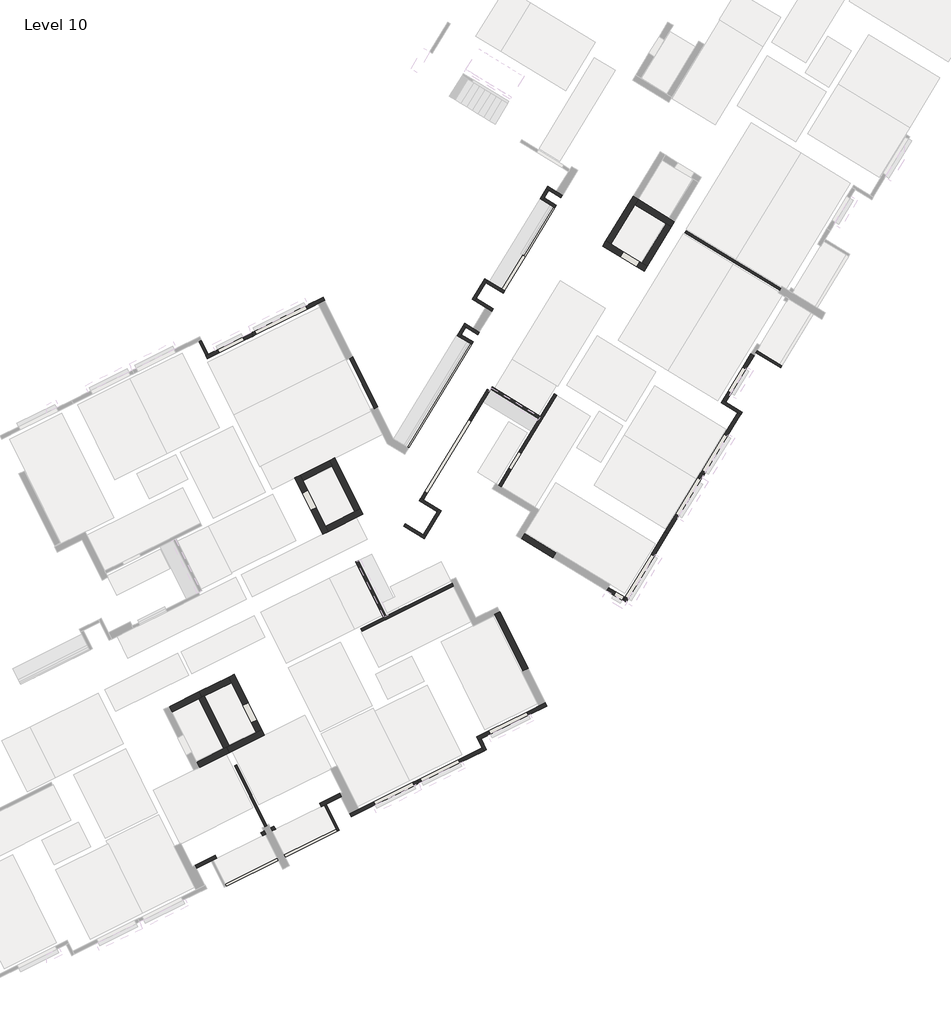
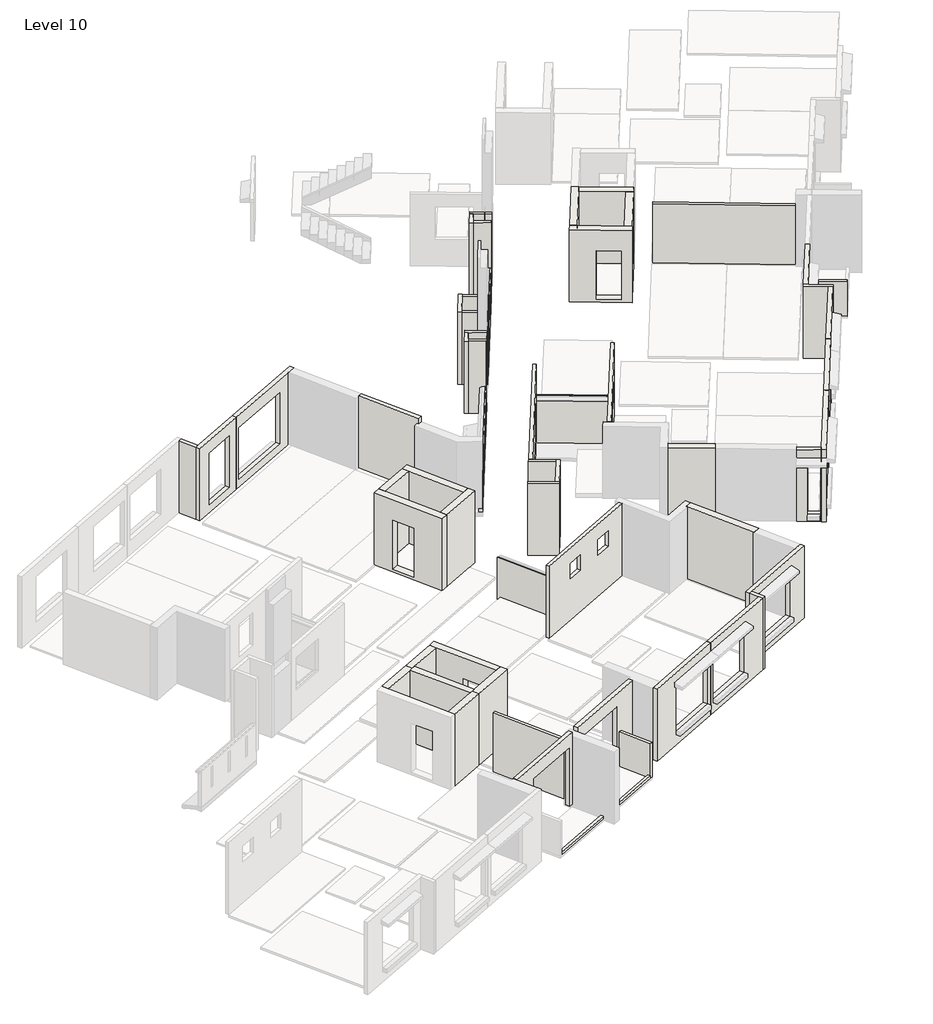
# One storey, part 3 of 8: 57 walls.
"""IFC4 building model written with IfcOpenShell, lengths in millimetres."""

import ifcopenshell
import ifcopenshell.guid

model = None  # the IFC model being written
_history = None  # IfcOwnerHistory: only IFC2X3 demands one
_inside = {}  # id of a spatial element -> (the spatial element, [elements in it])
_under = {}  # id of a project, library or spatial element -> (it, [spatial elements below it])
_declared = {}  # id of a project -> (the project, [libraries it declares])
_typed = {}  # id of a type object -> (the type object, [elements of that type])
_made_of = {}  # id of a material, layer set ... -> (it, [elements and type objects made of it])


def new_model(schema):
    """Start an empty IFC model of exactly this schema.

    Asked for "IFC4X3", IfcOpenShell would pick the latest addendum, in which some entities
    have other attributes; the version numbers below select the first issue.
    IFC2X3 requires an IfcOwnerHistory on every rooted entity: one is made here for all.
    """
    global model, _history
    if schema == "IFC4X3":
        model = ifcopenshell.file(schema_version=(4, 3, 0, 0))
    else:
        model = ifcopenshell.file(schema=schema)
    _inside.clear()
    _under.clear()
    _declared.clear()
    _typed.clear()
    _made_of.clear()
    _history = None
    if model.schema == "IFC2X3":
        org = make("IfcOrganization", Name="unknown")
        user = make(
            "IfcPersonAndOrganization",
            ThePerson=make("IfcPerson", FamilyName="unknown"),
            TheOrganization=org,
        )
        app = make(
            "IfcApplication",
            ApplicationDeveloper=org,
            Version="unknown",
            ApplicationFullName="unknown",
            ApplicationIdentifier="unknown",
        )
        _history = make(
            "IfcOwnerHistory",
            OwningUser=user,
            OwningApplication=app,
            ChangeAction="ADDED",
            CreationDate=0,
        )
    return model


def make(cls, **values):
    """One entity of the class cls with the attributes given. An attribute that is None is left unset."""
    return model.create_entity(
        cls, **{name: value for name, value in values.items() if value is not None}
    )


def rooted(cls, **values):
    """An entity with a GlobalId (a new one), such as an element, a storey or a relation."""
    return make(cls, GlobalId=ifcopenshell.guid.new(), OwnerHistory=_history, **values)


def si_unit(unit_type, name, prefix=None):
    """IfcSIUnit, for example si_unit("LENGTHUNIT", "METRE", prefix="MILLI")."""
    return make("IfcSIUnit", UnitType=unit_type, Prefix=prefix, Name=name)


def assignment(units):
    """IfcUnitAssignment: the units of a project."""
    return None if units is None else make("IfcUnitAssignment", Units=units)


def point(xyz):
    """IfcCartesianPoint."""
    return None if xyz is None else make("IfcCartesianPoint", Coordinates=xyz)


def direction(xyz):
    """IfcDirection."""
    return None if xyz is None else make("IfcDirection", DirectionRatios=xyz)


def frame(location, z_axis=None, x_axis=None):
    """IfcAxis2Placement3D, a coordinate frame: its origin and axes. An axis left out is left unset."""
    return make(
        "IfcAxis2Placement3D",
        Location=point(location),
        Axis=direction(z_axis),
        RefDirection=direction(x_axis),
    )


def origin():
    """The frame at (0, 0, 0) with its axes left unset."""
    return frame((0.0, 0.0, 0.0))


def place(relative_to, where):
    """IfcLocalPlacement: puts the frame where relative to a parent placement (None: the world)."""
    return make(
        "IfcLocalPlacement", PlacementRelTo=relative_to, RelativePlacement=where
    )


def context(
    kind, dimensions, precision=None, world=None, true_north=None, identifier=None
):
    """IfcGeometricRepresentationContext, for example the 3D "Model" context."""
    return make(
        "IfcGeometricRepresentationContext",
        ContextIdentifier=identifier,
        ContextType=kind,
        CoordinateSpaceDimension=dimensions,
        Precision=precision,
        WorldCoordinateSystem=world,
        TrueNorth=true_north,
    )


def project(units=None, contexts=None):
    """IfcProject with its units and contexts."""
    return rooted(
        "IfcProject",
        Name="project",
        RepresentationContexts=contexts,
        UnitsInContext=assignment(units),
    )


def spatial(cls, under=None, at=None, **own):
    """A site, building, storey or space (cls), placed at a placement, below another one or the project."""
    s = rooted(cls, ObjectPlacement=at, **own)
    if under is not None:
        _under.setdefault(under.id(), (under, []))[1].append(s)
    return s


def polyline(points):
    """IfcPolyline through the points."""
    return make("IfcPolyline", Points=[point(p) for p in points])


def outline(outer, holes=None, kind="AREA"):
    """IfcArbitraryClosedProfileDef: a profile drawn as a closed curve; with holes, ...WithVoids."""
    if holes is None:
        return make("IfcArbitraryClosedProfileDef", ProfileType=kind, OuterCurve=outer)
    return make(
        "IfcArbitraryProfileDefWithVoids",
        ProfileType=kind,
        OuterCurve=outer,
        InnerCurves=holes,
    )


def extrude(swept, where, along, depth):
    """IfcExtrudedAreaSolid: the profile swept, set in the frame where, extruded along a direction by depth."""
    return make(
        "IfcExtrudedAreaSolid",
        SweptArea=swept,
        Position=where,
        ExtrudedDirection=direction(along),
        Depth=depth,
    )


def faces_of(points, faces, orient=None, outer=None):
    """IfcFace entities. A face is a list of loops; a loop is a list of indices into points, from 0.

    orient and outer hold one flag for each loop. By default every Orientation is true, the
    first loop of a face is its IfcFaceOuterBound and the others are IfcFaceBound.
    """
    made = []
    for i, loops in enumerate(faces):
        bounds = []
        for j, loop in enumerate(loops):
            is_outer = j == 0 if outer is None else outer[i][j]
            bounds.append(
                make(
                    "IfcFaceOuterBound" if is_outer else "IfcFaceBound",
                    Bound=make("IfcPolyLoop", Polygon=[points[k] for k in loop]),
                    Orientation=True if orient is None else orient[i][j],
                )
            )
        made.append(make("IfcFace", Bounds=bounds))
    return made


def faceted_brep(points, faces, orient=None, outer=None, voids=None):
    """IfcFacetedBrep: a solid bounded by flat faces; with voids (closed shells), ...WithVoids."""
    shared = [point(p) for p in points]
    hull = make("IfcClosedShell", CfsFaces=faces_of(shared, faces, orient, outer))
    if voids is None:
        return make("IfcFacetedBrep", Outer=hull)
    return make(
        "IfcFacetedBrepWithVoids",
        Outer=hull,
        Voids=[
            make(cls, CfsFaces=faces_of(shared, fs, o, b)) for cls, fs, o, b in voids
        ],
    )


def shape(context_of_items, identifier, shape_type, items):
    """IfcShapeRepresentation: the items that make up one representation, for example the "Body"."""
    return make(
        "IfcShapeRepresentation",
        ContextOfItems=context_of_items,
        RepresentationIdentifier=identifier,
        RepresentationType=shape_type,
        Items=items,
    )


def made_of(thing, what):
    """Note that an element or type object is made of a material, layer set ...; save() writes the relation."""
    if what is not None:
        _made_of.setdefault(what.id(), (what, []))[1].append(thing)
    return thing


def element(
    cls,
    number,
    at=None,
    inside=None,
    cuts=None,
    type_object=None,
    material=None,
    context=None,
    identifier="Body",
    shape_type=None,
    held_by="IfcProductDefinitionShape",
    body=None,
    shapes=None,
    **own,
):
    """One element of the class cls, such as IfcWall. Its Tag is "e" and its number.

    at: its placement. inside: the storey or other place that contains it. cuts: it is an
    opening in that element (IfcRelVoidsElement). A single representation is given by context,
    identifier, shape_type and body (its items); several are given by shapes. held_by: the class
    of the entity that holds the representations. save() writes the other relations.
    """
    e = rooted(cls, Tag="e%d" % number, ObjectPlacement=at, **own)
    if body is not None:
        shapes = [shape(context, identifier, shape_type, body)]
    if shapes is not None:
        e.Representation = make(held_by, Representations=shapes)
    if inside is not None:
        _inside.setdefault(inside.id(), (inside, []))[1].append(e)
    if cuts is not None:
        rooted(
            "IfcRelVoidsElement", RelatingBuildingElement=cuts, RelatedOpeningElement=e
        )
    if type_object is not None:
        _typed.setdefault(type_object.id(), (type_object, []))[1].append(e)
    return made_of(e, material)


def aggregate(whole, parts):
    """IfcRelAggregates: a whole, such as a stair, and the parts it consists of."""
    return rooted("IfcRelAggregates", RelatingObject=whole, RelatedObjects=parts)


def save(model, path):
    """Write the relations noted so far, then the file.

    IfcRelAggregates (storeys below a building ...), IfcRelContainedInSpatialStructure (elements
    in a storey), IfcRelDefinesByType, IfcRelAssociatesMaterial and IfcRelDeclares: one each for
    every whole, place, type object, material and project.
    """
    for whole, parts in _under.values():
        aggregate(whole, parts)
    for where, things in _inside.values():
        rooted(
            "IfcRelContainedInSpatialStructure",
            RelatedElements=things,
            RelatingStructure=where,
        )
    for kind, things in _typed.values():
        rooted("IfcRelDefinesByType", RelatedObjects=things, RelatingType=kind)
    for what, things in _made_of.values():
        rooted("IfcRelAssociatesMaterial", RelatedObjects=things, RelatingMaterial=what)
    for by, libraries in _declared.values():
        rooted("IfcRelDeclares", RelatingContext=by, RelatedDefinitions=libraries)
    model.write(path)


model = new_model("IFC4")

# Units and contexts
model_context = context("Model", 3, world=origin())
ifc_project = project(units=[si_unit("LENGTHUNIT", "METRE", prefix="MILLI")], contexts=[model_context])

# Site, building, storey
site = spatial("IfcSite", under=ifc_project)
building = spatial("IfcBuilding", under=site)
storey = spatial("IfcBuildingStorey", under=building, Name="Level 10", Elevation=26000.0)

# Walls
placement = place(None, origin())
element("IfcWall", 1, at=placement, inside=storey, context=model_context, shape_type="Brep", body=[
    faceted_brep([(131275.4374651, -71507.6570554, 26000.0), (130140.8584029, -69223.9690294, 26000.0), (130140.8584029, -69223.9690294, 28800.0), (131275.4374651, -71507.6570554, 28800.0), (131075.2176406, -71104.6533062, 26100.0), (131075.2176406, -71104.6533062, 28000.0), (130719.2712859, -70388.2021965, 28000.0), (130719.2712859, -70388.2021965, 26100.0), (131051.5464933, -71618.8902912, 26000.0), (131051.5464933, -71618.8902912, 28800.0), (130028.200667, -69559.093237, 28800.0), (129916.9674312, -69335.2022652, 28800.0), (129916.9674312, -69335.2022652, 26000.0), (130028.200667, -69559.093237, 26000.0), (130851.3266688, -71215.886542, 26100.0), (130495.3803141, -70499.4354323, 26100.0), (130495.3803141, -70499.4354323, 28000.0), (130851.3266688, -71215.886542, 28000.0)], [[[0, 1, 2, 3], [4, 5, 6, 7]], [[8, 9, 10, 11, 12, 13], [14, 15, 16, 17]], [[0, 3, 9, 8]], [[2, 1, 12, 11]], [[1, 0, 8, 13, 12]], [[3, 2, 11, 10, 9]], [[5, 4, 14, 17]], [[6, 5, 17, 16]], [[7, 6, 16, 15]], [[4, 7, 15, 14]]]),
])
element("IfcWall", 2, at=placement, inside=storey, context=model_context, shape_type="Brep", body=[
    faceted_brep([(129916.9674312, -69335.2022652, 26000.0), (128685.5670121, -69946.9850993, 26000.0), (128685.5670121, -69946.9850993, 28800.0), (129916.9674312, -69335.2022652, 28800.0), (130028.200667, -69559.093237, 26000.0), (130028.200667, -69559.093237, 28800.0), (128908.7457339, -70115.2594531, 28800.0), (128796.800248, -70170.8760711, 28800.0), (128796.800248, -70170.8760711, 26000.0), (128908.7457339, -70115.2594531, 26000.0)], [[[0, 1, 2, 3]], [[4, 5, 6, 7, 8, 9]], [[1, 0, 4, 9, 8]], [[2, 1, 8, 7]], [[3, 2, 7, 6, 5]], [[0, 3, 5, 4]]]),
])
element("IfcWall", 3, at=placement, inside=storey, context=model_context, shape_type="Brep", body=[
    faceted_brep([(132633.274807, -61121.5474112, 26000.0), (133789.4838813, -63450.7154881, 26000.0), (133789.4838813, -63450.7154881, 28800.0), (132633.274807, -61121.5474112, 28800.0), (132944.5194324, -61748.5456433, 26100.0), (132944.5194324, -61748.5456433, 28000.0), (133300.2275757, -62465.1150515, 28000.0), (133300.2275757, -62465.1150515, 26100.0), (132857.202747, -61010.3886164, 26000.0), (132857.202747, -61010.3886164, 28800.0), (132968.3615418, -61234.3165564, 28800.0), (133902.2530266, -63115.6287532, 28800.0), (134013.4118214, -63339.5566933, 28800.0), (134013.4118214, -63339.5566933, 26000.0), (133902.2530266, -63115.6287532, 26000.0), (132968.3615418, -61234.3165564, 26000.0), (133168.4473724, -61637.3868485, 26100.0), (133524.1555158, -62353.9562567, 26100.0), (133524.1555158, -62353.9562567, 28000.0), (133168.4473724, -61637.3868485, 28000.0)], [[[0, 1, 2, 3], [4, 5, 6, 7]], [[8, 9, 10, 11, 12, 13, 14, 15], [16, 17, 18, 19]], [[2, 1, 13, 12]], [[0, 3, 9, 8]], [[1, 0, 8, 15, 14, 13]], [[3, 2, 12, 11, 10, 9]], [[5, 4, 16, 19]], [[6, 5, 19, 18]], [[7, 6, 18, 17]], [[4, 7, 17, 16]]]),
])
element("IfcWall", 4, at=placement, inside=storey, context=model_context, shape_type="Brep", body=[
    faceted_brep([(134013.4118214, -63339.5566933, 26000.0), (135446.6632869, -62628.084487, 26000.0), (135446.6632869, -62628.084487, 28800.0), (134013.4118214, -63339.5566933, 28800.0), (133902.2530266, -63115.6287532, 26000.0), (133902.2530266, -63115.6287532, 28800.0), (135111.5765521, -62515.3153418, 28800.0), (135335.5044922, -62404.156547, 28800.0), (135335.5044922, -62404.156547, 26000.0), (135111.5765521, -62515.3153418, 26000.0)], [[[0, 1, 2, 3]], [[4, 5, 6, 7, 8, 9]], [[1, 0, 4, 9, 8]], [[3, 2, 7, 6, 5]], [[0, 3, 5, 4]], [[2, 1, 8, 7]]]),
])
element("IfcWall", 5, at=placement, inside=storey, context=model_context, shape_type="Brep", body=[
    faceted_brep([(135335.5044922, -62404.156547, 26000.0), (134290.4542126, -60298.9164101, 26000.0), (134290.4542126, -60298.9164101, 28800.0), (135335.5044922, -62404.156547, 28800.0), (135111.5765521, -62515.3153418, 26000.0), (135111.5765521, -62515.3153418, 28800.0), (134177.6850673, -60634.003145, 28800.0), (134066.5262725, -60410.0752049, 28800.0), (134066.5262725, -60410.0752049, 26000.0), (134177.6850673, -60634.003145, 26000.0)], [[[0, 1, 2, 3]], [[4, 5, 6, 7, 8, 9]], [[1, 0, 4, 9, 8]], [[3, 2, 7, 6, 5]], [[0, 3, 5, 4]], [[2, 1, 8, 7]]]),
])
element("IfcWall", 6, at=placement, inside=storey, context=model_context, shape_type="SweptSolid", body=[
    extrude(outline(polyline([(132857.202747, -61010.3886164), (134066.5262725, -60410.0752049), (134177.6850673, -60634.003145), (132968.3615418, -61234.3165564), (132857.202747, -61010.3886164)])), frame((0.0, 0.0, 26000.0), z_axis=(0.0, 0.0, 1.0), x_axis=(1.0, 0.0, 0.0)), (0.0, 0.0, 1.0), 2800.0),
])
element("IfcWall", 7, at=placement, inside=storey, context=model_context, shape_type="SweptSolid", body=[
    extrude(outline(polyline([(3159.1385302, 1500.0), (3159.1385302, -294.0), (3039.1385302, -294.0), (3039.1385302, 1400.0), (3114.1385302, 1400.0), (3114.1385302, 1500.0), (3159.1385302, 1500.0)])), frame((139120.1895162, -65473.979852, 26000.0), z_axis=(-0.444635179186312, 0.8957117602387257, 0.0), x_axis=(-0.8957117602387257, -0.444635179186312, 0.0)), (0.0, 0.0, 1.0), 2557.6199781),
])
element("IfcWall", 8, at=placement, inside=storey, context=model_context, shape_type="Brep", body=[
    faceted_brep([(139823.5803435, -55561.4614936, 25656.0), (137223.703706, -59829.113256, 25656.0), (137223.703706, -59829.113256, 26950.0), (139823.5803435, -55561.4614936, 26950.0), (137524.7262203, -59334.9900944, 26125.0), (137524.7262203, -59334.9900944, 26900.0), (137472.6997633, -59420.3906083, 26900.0), (137472.6997633, -59420.3906083, 26125.0), (138044.9907903, -58480.9849555, 26125.0), (138044.9907903, -58480.9849555, 26900.0), (137992.9643333, -58566.3854694, 26900.0), (137992.9643333, -58566.3854694, 26125.0), (138565.2553602, -57626.9798166, 26125.0), (138565.2553602, -57626.9798166, 26900.0), (138513.2289032, -57712.3803305, 26900.0), (138513.2289032, -57712.3803305, 26125.0), (139085.5199302, -56772.9746778, 26125.0), (139085.5199302, -56772.9746778, 26900.0), (139033.4934732, -56858.3751916, 26900.0), (139033.4934732, -56858.3751916, 26125.0), (139605.7845001, -55918.9695389, 26125.0), (139605.7845001, -55918.9695389, 26900.0), (139553.7580431, -56004.3700528, 26900.0), (139553.7580431, -56004.3700528, 26125.0), (139926.0296319, -55623.9446667, 27050.0), (137326.1843226, -59891.5450044, 27050.0), (137326.1843226, -59891.5450044, 25656.0), (139926.0296319, -55623.9446667, 25656.0), (137627.206837, -59397.4218428, 26900.0), (137627.206837, -59397.4218428, 26125.0), (137575.18038, -59482.8223567, 26125.0), (137575.18038, -59482.8223567, 26900.0), (138147.4714069, -58543.4167039, 26900.0), (138147.4714069, -58543.4167039, 26125.0), (138095.4449499, -58628.8172178, 26125.0), (138095.4449499, -58628.8172178, 26900.0), (138667.7359769, -57689.411565, 26900.0), (138667.7359769, -57689.411565, 26125.0), (138615.7095199, -57774.8120789, 26125.0), (138615.7095199, -57774.8120789, 26900.0), (139188.0005468, -56835.4064261, 26900.0), (139188.0005468, -56835.4064261, 26125.0), (139135.9740899, -56920.80694, 26125.0), (139135.9740899, -56920.80694, 26900.0), (139708.2651168, -55981.4012873, 26900.0), (139708.2651168, -55981.4012873, 26125.0), (139656.2386598, -56066.8018011, 26125.0), (139656.2386598, -56066.8018011, 26900.0), (139887.6111487, -55600.5134768, 26950.0), (139887.6111487, -55600.5134768, 27050.0), (137287.7540914, -59868.1330987, 27050.0), (137287.7540914, -59868.1330987, 26950.0)], [[[0, 1, 2, 3], [4, 5, 6, 7], [8, 9, 10, 11], [12, 13, 14, 15], [16, 17, 18, 19], [20, 21, 22, 23]], [[24, 25, 26, 27], [28, 29, 30, 31], [32, 33, 34, 35], [36, 37, 38, 39], [40, 41, 42, 43], [44, 45, 46, 47]], [[24, 27, 0, 3, 48, 49]], [[26, 25, 50, 51, 2, 1]], [[25, 24, 49, 50]], [[5, 4, 29, 28]], [[6, 5, 28, 31]], [[7, 6, 31, 30]], [[9, 8, 33, 32]], [[10, 9, 32, 35]], [[11, 10, 35, 34]], [[8, 11, 34, 33]], [[13, 12, 37, 36]], [[14, 13, 36, 39]], [[15, 14, 39, 38]], [[12, 15, 38, 37]], [[17, 16, 41, 40]], [[18, 17, 40, 43]], [[19, 18, 43, 42]], [[16, 19, 42, 41]], [[21, 20, 45, 44]], [[22, 21, 44, 47]], [[23, 22, 47, 46]], [[4, 7, 30, 29]], [[20, 23, 46, 45]], [[48, 51, 50, 49]], [[51, 48, 3, 2]], [[1, 0, 27, 26]]]),
])
element("IfcWall", 9, at=placement, inside=storey, context=model_context, shape_type="Brep", body=[
    faceted_brep([(129931.3793102, -72454.564097, 26000.0), (131386.670701, -71731.5480271, 26000.0), (131386.670701, -71731.5480271, 28800.0), (129931.3793102, -72454.564097, 28800.0), (129820.1460743, -72230.6731252, 26000.0), (129820.1460743, -72230.6731252, 28800.0), (129932.0915602, -72175.0565073, 28800.0), (131051.5464933, -71618.8902912, 28800.0), (131275.4374651, -71507.6570554, 28800.0), (131275.4374651, -71507.6570554, 26000.0), (131051.5464933, -71618.8902912, 26000.0), (129932.0915602, -72175.0565073, 26000.0)], [[[0, 1, 2, 3]], [[4, 5, 6, 7, 8, 9, 10, 11]], [[1, 0, 4, 11, 10, 9]], [[3, 2, 8, 7, 6, 5]], [[0, 3, 5, 4]], [[2, 1, 9, 8]]]),
])
element("IfcWall", 10, at=placement, inside=storey, context=model_context, shape_type="SweptSolid", body=[
    extrude(outline(polyline([(0.0, 0.0), (0.0, -2800.0), (-3180.0, -2800.0), (-3180.0, 0.0), (-3030.0000001, 0.0), (-3030.0000001, -2300.0), (-930.0000001, -2300.0), (-930.0000001, 0.0), (0.0, 0.0)])), frame((134557.5386886, -74264.4361325, 26000.0), z_axis=(-0.44463517918649714, 0.8957117602386337, 0.0), x_axis=(0.8957117602386337, 0.44463517918649714, 0.0)), (0.0, 0.0, 1.0), 150.0),
])
element("IfcWall", 11, at=placement, inside=storey, context=model_context, shape_type="SweptSolid", body=[
    extrude(outline(polyline([(0.0, 0.0), (930.0, 0.0), (930.0, -2300.0), (3030.0, -2300.0), (3030.0, 0.0), (3180.0, 0.0), (3180.0, -2800.0), (0.0, -2800.0), (0.0, 0.0)])), frame((128592.4262923, -77225.5436415, 26000.0), z_axis=(-0.4446351791865006, 0.895711760238632, 0.0), x_axis=(0.895711760238632, 0.4446351791865006, 0.0)), (0.0, 0.0, 1.0), 150.0),
])
element("IfcWall", 12, at=placement, inside=storey, context=model_context, shape_type="SweptSolid", body=[
    extrude(outline(polyline([(135915.136809, -58266.9942801), (134892.4758969, -56206.8572316), (135026.8326609, -56140.1619547), (136049.4935731, -58200.2990033), (135915.136809, -58266.9942801)])), frame((0.0, 0.0, 26000.0), z_axis=(0.0, 0.0, 1.0), x_axis=(1.0, 0.0, 0.0)), (0.0, 0.0, 1.0), 2800.0),
])
element("IfcWall", 13, ObjectType="KP6-A (2-15)", at=placement, inside=storey, context=model_context, shape_type="Brep", body=[
    faceted_brep([(141146.4985635, -53389.9145088, 26000.0), (142030.9483324, -51938.1057727, 26000.0), (142030.9483324, -51938.1057727, 26950.0), (143256.1718389, -49926.9229414, 26950.0), (143256.1718389, -49926.9229414, 25656.0), (141146.4985635, -53389.9145088, 25656.0), (142490.5237709, -51183.7207754, 26900.0), (142438.497314, -51269.1212892, 26900.0), (142438.497314, -51269.1212892, 26125.0), (142490.5237709, -51183.7207754, 26125.0), (142958.7618839, -50415.1161504, 26900.0), (142958.7618839, -50415.1161504, 26125.0), (143010.7883409, -50329.7156365, 26125.0), (143010.7883409, -50329.7156365, 26900.0), (143358.6524556, -49989.3546898, 27050.0), (142133.4289491, -52000.5375211, 27050.0), (142133.4289491, -52000.5375211, 26000.0), (141248.9791801, -53452.3462572, 26000.0), (141248.9791801, -53452.3462572, 25656.0), (143358.6524556, -49989.3546898, 25656.0), (143358.6524556, -49989.3546898, 26000.0), (142540.9779306, -51331.5530376, 26900.0), (142593.0043876, -51246.1525237, 26900.0), (142593.0043876, -51246.1525237, 26125.0), (142540.9779306, -51331.5530376, 26125.0), (143061.2425006, -50477.5478988, 26125.0), (143061.2425006, -50477.5478988, 26900.0), (143113.2689576, -50392.1473849, 26900.0), (143113.2689576, -50392.1473849, 26125.0), (143320.2222243, -49965.9427841, 27050.0), (142094.9987178, -51977.1256154, 27050.0), (142094.9987178, -51977.1256154, 26950.0), (143320.2222243, -49965.9427841, 26950.0)], [[[0, 1, 2, 3, 4, 5], [6, 7, 8, 9], [10, 11, 12, 13]], [[14, 15, 16, 17, 18, 19, 20], [21, 22, 23, 24], [25, 26, 27, 28]], [[17, 0, 5, 18]], [[15, 14, 29, 30]], [[7, 6, 22, 21]], [[8, 7, 21, 24]], [[9, 8, 24, 23]], [[6, 9, 23, 22]], [[11, 10, 26, 25]], [[12, 11, 25, 28]], [[13, 12, 28, 27]], [[10, 13, 27, 26]], [[1, 0, 17, 16]], [[16, 15, 30, 31, 2, 1]], [[32, 31, 30, 29]], [[31, 32, 3, 2]], [[5, 4, 19, 18]], [[29, 14, 20, 19, 4, 3, 32]]]),
])
element("IfcWall", 14, ObjectType="KP7-AX (2-15) (1)", at=placement, inside=storey, context=model_context, shape_type="SweptSolid", body=[
    extrude(outline(polyline([(-3318.7394082, -294.0), (-3318.7394082, 1500.0), (-3273.7394082, 1500.0), (-3273.7394082, 1400.0), (-3198.7394082, 1400.0), (-3198.7394082, -294.0), (-3318.7394082, -294.0)])), frame((141035.6144162, -61418.0281616, 26000.0), z_axis=(-0.8540051388858707, 0.5202645699608274, 0.0), x_axis=(-0.5202645699608274, -0.8540051388858707, 0.0)), (0.0, 0.0, 1.0), 2337.0474486),
])
element("IfcWall", 15, ObjectType="PHS-7B2", at=placement, inside=storey, context=model_context, shape_type="Brep", body=[
    faceted_brep([(145324.5783855, -51567.5682169, 26000.0), (147032.5886633, -52608.0973569, 26000.0), (147032.5886633, -52608.0973569, 28800.0), (145324.5783855, -51567.5682169, 28800.0), (146733.6868647, -52426.0047574, 26100.0), (146050.4827536, -52009.7931014, 26100.0), (146050.4827536, -52009.7931014, 28000.0), (146733.6868647, -52426.0047574, 28000.0), (145454.644528, -51354.0669322, 26000.0), (145454.644528, -51354.0669322, 28800.0), (145668.1458128, -51484.1330747, 28800.0), (146949.1535211, -52264.5299297, 28800.0), (147162.6548058, -52394.5960721, 28800.0), (147162.6548058, -52394.5960721, 26000.0), (146949.1535211, -52264.5299297, 26000.0), (145668.1458128, -51484.1330747, 26000.0), (146863.7530072, -52212.5034727, 26100.0), (146863.7530072, -52212.5034727, 28000.0), (146180.5488961, -51796.2918167, 28000.0), (146180.5488961, -51796.2918167, 26100.0)], [[[0, 1, 2, 3], [4, 5, 6, 7]], [[8, 9, 10, 11, 12, 13, 14, 15], [16, 17, 18, 19]], [[2, 1, 13, 12]], [[0, 3, 9, 8]], [[1, 0, 8, 15, 14, 13]], [[3, 2, 12, 11, 10, 9]], [[5, 4, 16, 19]], [[6, 5, 19, 18]], [[7, 6, 18, 17]], [[4, 7, 17, 16]]]),
])
element("IfcWall", 16, ObjectType="PHS-7B2", at=placement, inside=storey, context=model_context, shape_type="SweptSolid", body=[
    extrude(outline(polyline([(148151.1574887, -50771.9863083), (147162.6548058, -52394.5960721), (146949.1535211, -52264.5299297), (147937.656204, -50641.9201658), (148151.1574887, -50771.9863083)])), frame((0.0, 0.0, 26000.0), z_axis=(0.0, 0.0, 1.0), x_axis=(1.0, 0.0, 0.0)), (0.0, 0.0, 1.0), 2800.0),
])
element("IfcWall", 17, ObjectType="PHS-7B2", at=placement, inside=storey, context=model_context, shape_type="Brep", body=[
    faceted_brep([(146656.6484957, -49861.5233108, 26000.0), (147937.656204, -50641.9201658, 26000.0), (148151.1574887, -50771.9863083, 26000.0), (148151.1574887, -50771.9863083, 28800.0), (147937.656204, -50641.9201658, 28800.0), (146656.6484957, -49861.5233108, 28800.0), (146786.7146382, -49648.0220261, 26000.0), (146786.7146382, -49648.0220261, 28800.0), (148281.2236312, -50558.4850235, 28800.0), (148281.2236312, -50558.4850235, 26000.0)], [[[0, 1, 2, 3, 4, 5]], [[6, 7, 8, 9]], [[2, 1, 0, 6, 9]], [[5, 4, 3, 8, 7]], [[0, 5, 7, 6]], [[3, 2, 9, 8]]]),
])
element("IfcWall", 18, ObjectType="PHS-7B2", at=placement, inside=storey, context=model_context, shape_type="Brep", body=[
    faceted_brep([(145668.1458128, -51484.1330747, 26000.0), (146656.6484957, -49861.5233108, 26000.0), (146786.7146382, -49648.0220261, 26000.0), (146791.9172839, -49639.4819747, 26000.0), (146791.9172839, -49639.4819747, 28800.0), (146786.7146382, -49648.0220261, 28800.0), (146656.6484957, -49861.5233108, 28800.0), (145668.1458128, -51484.1330747, 28800.0), (145454.644528, -51354.0669322, 26000.0), (145454.644528, -51354.0669322, 28800.0), (146578.4159992, -49509.4158322, 28800.0), (146578.4159992, -49509.4158322, 26000.0)], [[[0, 1, 2, 3, 4, 5, 6, 7]], [[8, 9, 10, 11]], [[3, 2, 1, 0, 8, 11]], [[4, 3, 11, 10]], [[7, 6, 5, 4, 10, 9]], [[0, 7, 9, 8]]]),
])
element("IfcWall", 19, ObjectType="PHS-8B1", at=placement, inside=storey, context=model_context, shape_type="Brep", body=[
    faceted_brep([(128700.6637047, -73066.0067028, 26000.0), (129931.3793102, -72454.564097, 26000.0), (129931.3793102, -72454.564097, 28800.0), (128700.6637047, -73066.0067028, 28800.0), (128589.4304688, -72842.115731, 26000.0), (128589.4304688, -72842.115731, 28800.0), (129708.2005884, -72286.2897432, 28800.0), (129820.1460743, -72230.6731252, 28800.0), (129820.1460743, -72230.6731252, 26000.0), (129708.2005884, -72286.2897432, 26000.0)], [[[0, 1, 2, 3]], [[4, 5, 6, 7, 8, 9]], [[1, 0, 4, 9, 8]], [[2, 1, 8, 7]], [[3, 2, 7, 6, 5]], [[0, 3, 5, 4]]]),
])
element("IfcWall", 20, ObjectType="PHS-8B1", at=placement, inside=storey, context=model_context, shape_type="Brep", body=[
    faceted_brep([(129932.0915602, -72175.0565073, 26000.0), (128908.7457339, -70115.2594531, 26000.0), (128908.7457339, -70115.2594531, 28800.0), (129932.0915602, -72175.0565073, 28800.0), (129708.2005884, -72286.2897432, 26000.0), (129708.2005884, -72286.2897432, 28800.0), (128684.8547621, -70226.492689, 28800.0), (128684.8547621, -70226.492689, 26000.0), (129820.1460743, -72230.6731252, 26000.0), (128796.800248, -70170.8760711, 26000.0), (128796.800248, -70170.8760711, 28800.0), (129820.1460743, -72230.6731252, 28800.0)], [[[0, 1, 2, 3]], [[4, 5, 6, 7]], [[1, 0, 8, 4, 7, 9]], [[3, 2, 10, 6, 5, 11]], [[0, 3, 11, 5, 4, 8]], [[2, 1, 9, 7, 6, 10]]]),
])
element("IfcWall", 21, ObjectType="PHS-8B1", at=placement, inside=storey, context=model_context, shape_type="Brep", body=[
    faceted_brep([(128685.5670121, -69946.9850993, 26000.0), (127454.8514067, -70558.4277051, 26000.0), (127454.8514067, -70558.4277051, 28800.0), (128685.5670121, -69946.9850993, 28800.0), (128796.800248, -70170.8760711, 26000.0), (128796.800248, -70170.8760711, 28800.0), (128684.8547621, -70226.492689, 28800.0), (127566.0846425, -70782.3186769, 28800.0), (127566.0846425, -70782.3186769, 26000.0), (128684.8547621, -70226.492689, 26000.0)], [[[0, 1, 2, 3]], [[4, 5, 6, 7, 8, 9]], [[1, 0, 4, 9, 8]], [[3, 2, 7, 6, 5]], [[0, 3, 5, 4]], [[2, 1, 8, 7]]]),
])
element("IfcWall", 22, ObjectType="Precast 120wall for duct", at=placement, inside=storey, context=model_context, shape_type="Brep", body=[
    faceted_brep([(137122.4776882, -63116.039164, 26000.0), (137976.4828271, -63636.303734, 26000.0), (137976.4828271, -63636.303734, 28800.0), (137122.4776882, -63116.039164, 28800.0), (137184.9094366, -63013.5585474, 26000.0), (137184.9094366, -63013.5585474, 28800.0), (137936.4339588, -63471.391369, 28800.0), (138038.9145755, -63533.8231173, 28800.0), (138038.9145755, -63533.8231173, 26000.0), (137936.4339588, -63471.391369, 26000.0)], [[[0, 1, 2, 3]], [[4, 5, 6, 7, 8, 9]], [[1, 0, 4, 9, 8]], [[3, 2, 7, 6, 5]], [[0, 3, 5, 4]], [[2, 1, 8, 7]]]),
])
element("IfcWall", 23, ObjectType="Precast 120wall for duct", at=placement, inside=storey, context=model_context, shape_type="Brep", body=[
    faceted_brep([(138038.9145755, -63533.8231173, 26000.0), (138678.839998, -62483.3967941, 26000.0), (138678.839998, -62483.3967941, 28800.0), (138038.9145755, -63533.8231173, 28800.0), (137936.4339588, -63471.391369, 26000.0), (137936.4339588, -63471.391369, 28800.0), (138513.9276329, -62523.4456624, 28800.0), (138576.3593813, -62420.9650457, 28800.0), (138576.3593813, -62420.9650457, 26000.0), (138513.9276329, -62523.4456624, 26000.0)], [[[0, 1, 2, 3]], [[4, 5, 6, 7, 8, 9]], [[1, 0, 4, 9, 8]], [[3, 2, 7, 6, 5]], [[0, 3, 5, 4]], [[2, 1, 8, 7]]]),
])
element("IfcWall", 24, ObjectType="Precast 120wall for duct", at=placement, inside=storey, context=model_context, shape_type="SweptSolid", body=[
    extrude(outline(polyline([(137821.7403393, -61961.2470259), (138576.3593813, -62420.9650457), (138513.9276329, -62523.4456624), (137759.308591, -62063.7276426), (137821.7403393, -61961.2470259)])), frame((0.0, 0.0, 26000.0), z_axis=(0.0, 0.0, 1.0), x_axis=(1.0, 0.0, 0.0)), (0.0, 0.0, 1.0), 2800.0),
])
element("IfcWall", 25, ObjectType="Precast 120wall for duct", at=placement, inside=storey, context=model_context, shape_type="Brep", body=[
    faceted_brep([(140234.9131054, -55114.7398539, 26000.0), (139637.1095082, -54750.5546549, 26000.0), (139637.1095082, -54750.5546549, 28800.0), (140234.9131054, -55114.7398539, 28800.0), (140172.481357, -55217.2204705, 26000.0), (140172.481357, -55217.2204705, 28800.0), (139677.1583765, -54915.46702, 28800.0), (139574.6777598, -54853.0352716, 28800.0), (139574.6777598, -54853.0352716, 26000.0), (139677.1583765, -54915.46702, 26000.0)], [[[0, 1, 2, 3]], [[4, 5, 6, 7, 8, 9]], [[1, 0, 4, 9, 8]], [[3, 2, 7, 6, 5]], [[0, 3, 5, 4]], [[2, 1, 8, 7]]]),
])
element("IfcWall", 26, ObjectType="Precast 120wall for duct", at=placement, inside=storey, context=model_context, shape_type="Brep", body=[
    faceted_brep([(139574.6777598, -54853.0352716, 26000.0), (139327.4413632, -55258.8694672, 26000.0), (139327.4413632, -55258.8694672, 28800.0), (139574.6777598, -54853.0352716, 28800.0), (139677.1583765, -54915.46702, 26000.0), (139677.1583765, -54915.46702, 28800.0), (139492.3224079, -55218.8720107, 28800.0), (139429.8906516, -55321.3526403, 28800.0), (139429.8906516, -55321.3526403, 26000.0), (139492.3224079, -55218.8720107, 26000.0)], [[[0, 1, 2, 3]], [[4, 5, 6, 7, 8, 9]], [[1, 0, 4, 9, 8]], [[3, 2, 7, 6, 5]], [[0, 3, 5, 4]], [[2, 1, 8, 7]]]),
])
element("IfcWall", 27, ObjectType="Precast 120wall for duct", at=placement, inside=storey, context=model_context, shape_type="SweptSolid", body=[
    extrude(outline(polyline([(139928.1746118, -55625.2528764), (139429.8906516, -55321.3526403), (139492.3224079, -55218.8720107), (139990.657777, -55522.8036008), (139928.1746118, -55625.2528764)])), frame((0.0, 0.0, 26000.0), z_axis=(0.0, 0.0, 1.0), x_axis=(1.0, 0.0, 0.0)), (0.0, 0.0, 1.0), 2800.0),
])
element("IfcWall", 28, ObjectType="Precast 120wall for duct", at=placement, inside=storey, context=model_context, shape_type="Brep", body=[
    faceted_brep([(140468.8895862, -52906.8542503, 26000.0), (139948.6250162, -53760.8593892, 26000.0), (139948.6250162, -53760.8593892, 28800.0), (140468.8895862, -52906.8542503, 28800.0), (140571.3702028, -52969.2859987, 26000.0), (140571.3702028, -52969.2859987, 28800.0), (140508.9384544, -53071.7666154, 28800.0), (140113.5373813, -53720.8105209, 28800.0), (140051.1056329, -53823.2911376, 28800.0), (140051.1056329, -53823.2911376, 26000.0), (140113.5373813, -53720.8105209, 26000.0), (140508.9384544, -53071.7666154, 26000.0)], [[[0, 1, 2, 3]], [[4, 5, 6, 7, 8, 9, 10, 11]], [[1, 0, 4, 11, 10, 9]], [[3, 2, 8, 7, 6, 5]], [[2, 1, 9, 8]], [[0, 3, 5, 4]]]),
])
element("IfcWall", 29, ObjectType="Precast 120wall for duct", at=placement, inside=storey, context=model_context, shape_type="SweptSolid", body=[
    extrude(outline(polyline([(140759.9304844, -54255.1110878), (140051.1056329, -53823.2911376), (140113.5373813, -53720.8105209), (140822.3622328, -54152.6304711), (140759.9304844, -54255.1110878)])), frame((0.0, 0.0, 26000.0), z_axis=(0.0, 0.0, 1.0), x_axis=(1.0, 0.0, 0.0)), (0.0, 0.0, 1.0), 2800.0),
])
element("IfcWall", 30, ObjectType="Precast 120wall for duct", at=placement, inside=storey, context=model_context, shape_type="SweptSolid", body=[
    extrude(outline(polyline([(141226.3027711, -53508.7888541), (140508.9384544, -53071.7666154), (140571.3702028, -52969.2859987), (141288.7345195, -53406.3082375), (141226.3027711, -53508.7888541)])), frame((0.0, 0.0, 26000.0), z_axis=(0.0, 0.0, 1.0), x_axis=(1.0, 0.0, 0.0)), (0.0, 0.0, 1.0), 2800.0),
])
element("IfcWall", 31, ObjectType="Precast 120wall for duct", at=placement, inside=storey, context=model_context, shape_type="Brep", body=[
    faceted_brep([(143670.8111976, -49476.9516065, 26000.0), (143072.9869094, -49112.7538025, 26000.0), (143072.9869094, -49112.7538025, 28800.0), (143670.8111976, -49476.9516065, 28800.0), (143608.3794492, -49579.4322232, 26000.0), (143608.3794492, -49579.4322232, 28800.0), (143113.0357777, -49277.6661676, 28800.0), (143010.555161, -49215.2344192, 28800.0), (143010.555161, -49215.2344192, 26000.0), (143113.0357777, -49277.6661676, 26000.0)], [[[0, 1, 2, 3]], [[4, 5, 6, 7, 8, 9]], [[1, 0, 4, 9, 8]], [[3, 2, 7, 6, 5]], [[0, 3, 5, 4]], [[2, 1, 8, 7]]]),
])
element("IfcWall", 32, ObjectType="Precast 120wall for duct", at=placement, inside=storey, context=model_context, shape_type="Brep", body=[
    faceted_brep([(143010.555161, -49215.2344192, 26000.0), (142760.8281674, -49625.1568858, 26000.0), (142760.8281674, -49625.1568858, 28800.0), (143010.555161, -49215.2344192, 28800.0), (143113.0357777, -49277.6661676, 26000.0), (143113.0357777, -49277.6661676, 28800.0), (142925.7405325, -49585.1080175, 28800.0), (142863.3087841, -49687.5886342, 28800.0), (142863.3087841, -49687.5886342, 26000.0), (142925.7405325, -49585.1080175, 26000.0)], [[[0, 1, 2, 3]], [[4, 5, 6, 7, 8, 9]], [[1, 0, 4, 9, 8]], [[3, 2, 7, 6, 5]], [[0, 3, 5, 4]], [[2, 1, 8, 7]]]),
])
element("IfcWall", 33, ObjectType="Precast 120wall for duct", at=placement, inside=storey, context=model_context, shape_type="Brep", body=[
    faceted_brep([(142863.3087841, -49687.5886342, 26000.0), (143358.6524556, -49989.3546898, 26000.0), (143358.6524556, -49989.3546898, 27050.0), (143358.6524556, -49989.3546898, 28800.0), (142863.3087841, -49687.5886342, 28800.0), (143421.084204, -49886.8740731, 26000.0), (142925.7405325, -49585.1080175, 26000.0), (142925.7405325, -49585.1080175, 28800.0), (143421.084204, -49886.8740731, 28800.0)], [[[0, 1, 2, 3, 4]], [[5, 6, 7, 8]], [[1, 0, 6, 5]], [[4, 3, 8, 7]], [[0, 4, 7, 6]], [[3, 2, 1, 5, 8]]]),
])
element("IfcWall", 34, ObjectType="Precast wall 150", at=placement, inside=storey, context=model_context, shape_type="Brep", body=[
    faceted_brep([(146293.820543, -66260.6902667, 26000.0), (148018.4975924, -63429.6632313, 26000.0), (148018.4975924, -63429.6632313, 28800.0), (146293.820543, -66260.6902667, 28800.0), (146293.820543, -66260.6902667, 28480.3847577), (146293.820543, -66260.6902667, 28300.0), (146384.8668427, -66111.2393674, 26550.0), (146384.8668427, -66111.2393674, 28300.0), (147451.4092111, -64360.5288327, 28300.0), (147451.4092111, -64360.5288327, 26550.0), (147890.3968216, -63351.6235458, 26000.0), (146243.7594576, -66054.5498104, 26000.0), (146165.7197721, -66182.6505812, 26000.0), (146165.7197721, -66182.6505812, 28300.0), (146165.7197721, -66182.6505812, 28480.3847577), (146165.7197721, -66182.6505812, 28800.0), (146243.7594576, -66054.5498104, 28800.0), (147890.3968216, -63351.6235458, 28800.0), (146256.7660719, -66033.1996819, 28300.0), (146256.7660719, -66033.1996819, 26550.0), (147323.3084403, -64282.4891472, 26550.0), (147323.3084403, -64282.4891472, 28300.0)], [[[0, 1, 2, 3, 4, 5], [6, 7, 8, 9]], [[10, 11, 12, 13, 14, 15, 16, 17], [18, 19, 20, 21]], [[1, 0, 12, 11, 10]], [[2, 1, 10, 17]], [[3, 2, 17, 16, 15]], [[7, 6, 19, 18]], [[8, 7, 18, 21]], [[9, 8, 21, 20]], [[6, 9, 20, 19]], [[3, 15, 14, 13, 12, 0, 5, 4]]]),
])
element("IfcWall", 35, ObjectType="Precast wall 150", at=placement, inside=storey, context=model_context, shape_type="Brep", body=[
    faceted_brep([(142960.7618907, -70400.0583183, 26000.0), (140139.1318672, -71800.7276259, 26000.0), (140139.1318672, -71800.7276259, 28800.0), (142960.7618907, -70400.0583183, 28800.0), (142199.4068945, -70777.9982206, 26550.0), (142199.4068945, -70777.9982206, 28300.0), (140631.911314, -71556.1097842, 28300.0), (140631.911314, -71556.1097842, 26550.0), (140205.8718124, -71935.0622164, 26000.0), (140313.3572296, -71881.705992, 26000.0), (143027.4571675, -70534.4150823, 26000.0), (143027.4571675, -70534.4150823, 28800.0), (140313.3572296, -71881.705992, 28800.0), (140205.8718124, -71935.0622164, 28800.0), (142266.1021713, -70912.3549846, 28300.0), (142266.1021713, -70912.3549846, 26550.0), (140698.6065909, -71690.4665482, 26550.0), (140698.6065909, -71690.4665482, 28300.0)], [[[0, 1, 2, 3], [4, 5, 6, 7]], [[8, 9, 10, 11, 12, 13], [14, 15, 16, 17]], [[1, 0, 10, 9, 8]], [[3, 2, 13, 12, 11]], [[0, 3, 11, 10]], [[5, 4, 15, 14]], [[6, 5, 14, 17]], [[7, 6, 17, 16]], [[4, 7, 16, 15]], [[2, 1, 8, 13]]]),
])
element("IfcWall", 36, ObjectType="Precast wall 150", at=placement, inside=storey, context=model_context, shape_type="Brep", body=[
    faceted_brep([(140361.6160933, -72248.5453056, 26000.0), (137674.924432, -73583.3441358, 26000.0), (137674.924432, -73583.3441358, 28800.0), (140361.6160933, -72248.5453056, 28800.0), (139376.4958175, -72737.9715434, 26550.0), (139376.4958175, -72737.9715434, 28300.0), (137809.2590151, -73516.6041943, 28300.0), (137809.2590151, -73516.6041943, 26550.0), (137741.6643735, -73717.6787189, 26000.0), (140428.3560348, -72382.8798887, 26000.0), (140428.3560348, -72382.8798887, 28800.0), (137741.6643735, -73717.6787189, 28800.0), (137741.6643735, -73717.6787189, 28480.3847577), (137741.6643735, -73717.6787189, 28300.0), (139443.235759, -72872.3061264, 28300.0), (139443.235759, -72872.3061264, 26550.0), (137875.9989566, -73650.9387774, 26550.0), (137875.9989566, -73650.9387774, 28300.0)], [[[0, 1, 2, 3], [4, 5, 6, 7]], [[8, 9, 10, 11, 12, 13], [14, 15, 16, 17]], [[1, 0, 9, 8]], [[3, 2, 11, 10]], [[5, 4, 15, 14]], [[6, 5, 14, 17]], [[7, 6, 17, 16]], [[4, 7, 16, 15]], [[1, 8, 13, 12, 11, 2]], [[0, 3, 10, 9]]]),
])
element("IfcWall", 37, ObjectType="Precast wall 150", at=placement, inside=storey, context=model_context, shape_type="Brep", body=[
    faceted_brep([(149506.4542625, -60987.2085341, 28800.0), (148018.4975924, -63429.6632313, 28800.0), (148018.4975924, -63429.6632313, 26000.0), (149506.4542625, -60987.2085341, 26000.0), (149506.4542625, -60987.2085341, 28300.0), (149506.4542625, -60987.2085341, 28480.3847577), (148465.9251226, -62695.2188118, 28300.0), (149376.38812, -61200.7098188, 28300.0), (149376.38812, -61200.7098188, 26550.0), (149315.4754773, -61300.6968501, 26550.0), (148465.9251226, -62695.2188118, 26550.0), (147890.3968216, -63351.6235458, 28800.0), (149378.3534917, -60909.1688486, 28800.0), (149378.3534917, -60909.1688486, 26000.0), (147890.3968216, -63351.6235458, 26000.0), (148337.8243517, -62617.1791263, 26550.0), (149248.2873492, -61122.6701333, 26550.0), (149248.2873492, -61122.6701333, 28300.0), (148337.8243517, -62617.1791263, 28300.0)], [[[0, 1, 2, 3, 4, 5], [6, 7, 8, 9, 10]], [[11, 12, 13, 14], [15, 16, 17, 18]], [[16, 15, 10, 9, 8]], [[7, 6, 18, 17]], [[6, 10, 15, 18]], [[8, 7, 17, 16]], [[1, 0, 12, 11]], [[2, 1, 11, 14]], [[3, 2, 14, 13]], [[12, 0, 5, 4, 3, 13]]]),
])
element("IfcWall", 38, ObjectType="Precast wall 150", at=placement, inside=storey, context=model_context, shape_type="Brep", body=[
    faceted_brep([(151015.2215154, -58510.5936313, 28800.0), (149506.4542625, -60987.2085341, 28800.0), (149506.4542625, -60987.2085341, 28480.3847577), (149506.4542625, -60987.2085341, 28300.0), (149506.4542625, -60987.2085341, 26000.0), (151015.2215154, -58510.5936313, 26000.0), (150468.9437169, -59407.2990271, 28300.0), (150468.9437169, -59407.2990271, 26550.0), (149558.4807195, -60901.8080202, 26550.0), (149558.4807195, -60901.8080202, 28300.0), (149378.3534917, -60909.1688486, 28800.0), (150887.1207445, -58432.5539458, 28800.0), (150887.1207445, -58432.5539458, 26000.0), (149378.3534917, -60909.1688486, 26000.0), (150340.8429461, -59329.2593416, 26550.0), (150340.8429461, -59329.2593416, 28300.0), (149430.3799486, -60823.7683347, 28300.0), (149430.3799486, -60823.7683347, 26550.0)], [[[0, 1, 2, 3, 4, 5], [6, 7, 8, 9]], [[10, 11, 12, 13], [14, 15, 16, 17]], [[1, 0, 11, 10]], [[7, 6, 15, 14]], [[6, 9, 16, 15]], [[8, 7, 14, 17]], [[9, 8, 17, 16]], [[5, 4, 13, 12]], [[1, 10, 13, 4, 3, 2]], [[0, 5, 12, 11]]]),
])
element("IfcWall", 39, ObjectType="Precast wall 150", at=placement, inside=storey, context=model_context, shape_type="Brep", body=[
    faceted_brep([(134903.005024, -74960.4857097, 28800.0), (137674.924432, -73583.3441358, 28800.0), (137674.924432, -73583.3441358, 26000.0), (134903.005024, -74960.4857097, 26000.0), (137495.8116546, -73672.3307245, 26550.0), (137495.8116546, -73672.3307245, 28300.0), (135883.7966578, -74473.2100226, 28300.0), (135883.7966578, -74473.2100226, 26550.0), (137741.6643735, -73717.6787189, 28800.0), (134969.7449655, -75094.8202928, 28800.0), (134969.7449655, -75094.8202928, 26000.0), (137741.6643735, -73717.6787189, 26000.0), (137741.6643735, -73717.6787189, 28300.0), (137741.6643735, -73717.6787189, 28480.3847577), (137562.5515961, -73806.6653075, 28300.0), (137562.5515961, -73806.6653075, 26550.0), (137562.4024187, -73806.7394217, 26550.0), (135950.5365993, -74607.5446056, 26550.0), (135950.5365993, -74607.5446056, 28300.0)], [[[0, 1, 2, 3], [4, 5, 6, 7]], [[8, 9, 10, 11, 12, 13], [14, 15, 16, 17, 18]], [[1, 0, 9, 8]], [[5, 4, 15, 14]], [[6, 5, 14, 18]], [[0, 3, 10, 9]], [[4, 7, 17, 16, 15]], [[7, 6, 18, 17]], [[3, 2, 11, 10]], [[1, 8, 13, 12, 11, 2]]]),
])
element("IfcWall", 40, ObjectType="Precast wall 150 (300) Height", at=placement, inside=storey, context=model_context, shape_type="Brep", body=[
    faceted_brep([(129034.0860511, -56212.9902813, 26000.0), (130915.0248352, -55279.1437787, 26000.0), (130915.0248352, -55279.1437787, 28800.0), (129034.0860511, -56212.9902813, 28800.0), (129526.7128755, -55968.4114354, 26300.0), (129526.7128755, -55968.4114354, 28300.0), (130556.7507811, -55457.019303, 28300.0), (130556.7507811, -55457.019303, 26300.0), (130848.3215136, -55144.7910084, 26000.0), (128967.3827294, -56078.637511, 26000.0), (128967.3827294, -56078.637511, 28800.0), (130848.3215136, -55144.7910084, 28800.0), (130848.3215136, -55144.7910084, 28480.3847577), (130848.3215136, -55144.7910084, 28300.0), (129460.0095539, -55834.0586651, 28300.0), (129460.0095539, -55834.0586651, 26300.0), (130490.0474594, -55322.6665327, 26300.0), (130490.0474594, -55322.6665327, 28300.0)], [[[0, 1, 2, 3], [4, 5, 6, 7]], [[8, 9, 10, 11, 12, 13], [14, 15, 16, 17]], [[1, 0, 9, 8]], [[3, 2, 11, 10]], [[0, 3, 10, 9]], [[5, 4, 15, 14]], [[6, 5, 14, 17]], [[7, 6, 17, 16]], [[4, 7, 16, 15]], [[1, 8, 13, 12, 11, 2]]]),
])
element("IfcWall", 41, ObjectType="Precast wall 150 (300) Height", at=placement, inside=storey, context=model_context, shape_type="Brep", body=[
    faceted_brep([(145491.0557124, -65771.6415709, 26000.0), (146165.7197721, -66182.6505812, 26000.0), (146165.7197721, -66182.6505812, 28300.0), (146165.7197721, -66182.6505812, 28480.3847577), (146165.7197721, -66182.6505812, 28800.0), (145491.0557124, -65771.6415709, 28800.0), (145491.0557124, -65771.6415709, 28480.3847577), (145491.0557124, -65771.6415709, 28300.0), (145789.957511, -65953.7341704, 26300.0), (145789.957511, -65953.7341704, 28300.0), (146131.5595666, -66161.8399984, 28300.0), (146131.5595666, -66161.8399984, 26300.0), (146243.7594576, -66054.5498104, 26000.0), (145569.0953979, -65643.5408001, 26000.0), (145569.0953979, -65643.5408001, 28800.0), (146243.7594576, -66054.5498104, 28800.0), (145867.9971965, -65825.6333996, 28300.0), (145867.9971965, -65825.6333996, 26300.0), (146209.5992521, -66033.7392276, 26300.0), (146209.5992521, -66033.7392276, 28300.0)], [[[0, 1, 2, 3, 4, 5, 6, 7], [8, 9, 10, 11]], [[12, 13, 14, 15], [16, 17, 18, 19]], [[1, 0, 13, 12]], [[5, 4, 15, 14]], [[14, 13, 0, 7, 6, 5]], [[9, 8, 17, 16]], [[10, 9, 16, 19]], [[11, 10, 19, 18]], [[8, 11, 18, 17]], [[1, 12, 15, 4, 3, 2]]]),
])
element("IfcWall", 42, ObjectType="Precast wall 150 (300) Height", at=placement, inside=storey, context=model_context, shape_type="SweptSolid", body=[
    extrude(outline(polyline([(-2240.0, 0.0), (0.0, 0.0), (0.0, -2800.0), (-2240.0, -2800.0), (-2240.0, 0.0)]), holes=[polyline([(-1810.0, -300.0), (-1810.0, -2300.0), (-660.0, -2300.0), (-660.0, -300.0), (-1810.0, -300.0)])]), frame((151568.3818408, -56084.1324933, 26000.0), z_axis=(-0.8540051388845777, 0.52026456996295, 0.0), x_axis=(0.52026456996295, 0.8540051388845777, 0.0)), (0.0, 0.0, 1.0), 150.0),
])
element("IfcWall", 43, ObjectType="Precast wall 150 (300) Height", at=placement, inside=storey, context=model_context, shape_type="Brep", body=[
    faceted_brep([(133879.0373894, -53807.5739537, 28800.0), (130915.0248352, -55279.1437787, 28800.0), (130915.0248352, -55279.1437787, 26000.0), (133879.0373894, -53807.5739537, 26000.0), (131049.3776055, -55212.4404571, 26300.0), (131049.3776055, -55212.4404571, 28300.0), (133154.2376734, -54167.4217518, 28300.0), (133154.2376734, -54167.4217518, 26300.0), (130848.3215136, -55144.7910084, 28800.0), (133812.3340678, -53673.2211834, 28800.0), (133812.3340678, -53673.2211834, 26000.0), (130848.3215136, -55144.7910084, 26000.0), (130848.3215136, -55144.7910084, 28300.0), (130848.3215136, -55144.7910084, 28480.3847577), (130982.6742838, -55078.0876868, 28300.0), (130982.6742838, -55078.0876868, 26300.0), (133077.8722569, -54037.8660082, 26300.0), (133087.5343518, -54033.0689815, 26300.0), (133087.5343518, -54033.0689815, 28300.0)], [[[0, 1, 2, 3], [4, 5, 6, 7]], [[8, 9, 10, 11, 12, 13], [14, 15, 16, 17, 18]], [[1, 0, 9, 8]], [[5, 4, 15, 14]], [[7, 6, 18, 17]], [[0, 3, 10, 9]], [[6, 5, 14, 18]], [[4, 7, 17, 16, 15]], [[3, 2, 11, 10]], [[1, 8, 13, 12, 11, 2]]]),
])
element("IfcWall", 44, ObjectType="Precast wall 250", at=placement, inside=storey, context=model_context, shape_type="Brep", body=[
    faceted_brep([(143400.6993329, -64205.4663439, 26000.0), (142119.6916246, -63425.069489, 26000.0), (142119.6916246, -63425.069489, 28300.0), (142119.6916246, -63425.069489, 28800.0), (143400.6993329, -64205.4663439, 28800.0), (143400.6993329, -64205.4663439, 28300.0), (143270.6331904, -64418.9676287, 26000.0), (143270.6331904, -64418.9676287, 28800.0), (141989.6254821, -63638.5707737, 28800.0), (141989.6254821, -63638.5707737, 28300.0), (141989.6254821, -63638.5707737, 26000.0)], [[[0, 1, 2, 3, 4, 5]], [[6, 7, 8, 9, 10]], [[1, 0, 6, 10]], [[3, 2, 1, 10, 9, 8]], [[4, 3, 8, 7]], [[0, 5, 4, 7, 6]]]),
])
element("IfcWall", 45, ObjectType="Precast wall 250", at=placement, inside=storey, context=model_context, shape_type="SweptSolid", body=[
    extrude(outline(polyline([(141093.2008337, -66638.115242), (142249.2522996, -68966.9658186), (142025.3243595, -69078.1246134), (140869.2728936, -66749.2740368), (141093.2008337, -66638.115242)])), frame((0.0, 0.0, 26000.0), z_axis=(0.0, 0.0, 1.0), x_axis=(1.0, 0.0, 0.0)), (0.0, 0.0, 1.0), 2800.0),
])
element("IfcWall", 46, ObjectType="kerb wall (100)", at=placement, inside=storey, context=model_context, shape_type="SweptSolid", body=[
    extrude(outline(polyline([(131964.7477543, -76888.3004021), (129815.3964651, -77955.2476479), (129770.9031683, -77865.6912543), (131920.2842363, -76798.7292261), (131964.7477543, -76888.3004021)])), frame((0.0, 0.0, 25900.0), z_axis=(0.0, 0.0, 1.0), x_axis=(1.0, 0.0, 0.0)), (0.0, 0.0, 1.0), 100.0),
])
element("IfcWall", 47, ObjectType="kerb wall (100)", at=placement, inside=storey, context=model_context, shape_type="SweptSolid", body=[
    extrude(outline(polyline([(132193.5647911, -76663.292225), (134339.1483759, -75599.1042338), (134383.5821125, -75688.6901872), (132237.9985277, -76752.8781784), (132193.5647911, -76663.292225)])), frame((0.0, 0.0, 25900.0), z_axis=(0.0, 0.0, 1.0), x_axis=(1.0, 0.0, 0.0)), (0.0, 0.0, 1.0), 100.0),
])
element("IfcWall", 48, ObjectType="precast wall 100", at=placement, inside=storey, context=model_context, shape_type="Brep", body=[
    faceted_brep([(133851.0997842, -74615.1154501, 25900.0), (134339.1483759, -75599.1042338, 25900.0), (134383.5821125, -75688.6901872, 25900.0), (134383.5821125, -75688.6901872, 26000.0), (134383.5821125, -75688.6901872, 27250.0), (133851.0997842, -74615.1154501, 27250.0), (133940.6709651, -74570.6519297, 25900.0), (133940.6709651, -74570.6519297, 27250.0), (134473.168066, -75644.2564506, 27250.0), (134473.168066, -75644.2564506, 25900.0)], [[[0, 1, 2, 3, 4, 5]], [[6, 7, 8, 9]], [[2, 1, 0, 6, 9]], [[5, 4, 8, 7]], [[4, 3, 2, 9, 8]], [[0, 5, 7, 6]]]),
])
element("IfcWall", 49, ObjectType="precast wall 100", at=placement, inside=storey, context=model_context, shape_type="Brep", body=[
    faceted_brep([(151643.1643555, -55961.378311, 25900.0), (152661.9514626, -56582.0289512, 25900.0), (152661.9514626, -56582.0289512, 27250.0), (151643.1643555, -55961.378311, 27250.0), (151695.1908125, -55875.9777971, 25900.0), (151695.1908125, -55875.9777971, 27250.0), (152713.9779196, -56496.6284373, 27250.0), (152713.9779196, -56496.6284373, 26000.0), (152713.9779196, -56496.6284373, 25900.0), (152628.5774057, -56444.6019803, 25900.0)], [[[0, 1, 2, 3]], [[4, 5, 6, 7, 8, 9]], [[1, 0, 4, 9, 8]], [[3, 2, 6, 5]], [[2, 1, 8, 7, 6]], [[0, 3, 5, 4]]]),
])
element("IfcWall", 50, ObjectType="precast wall 100", at=placement, inside=storey, context=model_context, shape_type="SweptSolid", body=[
    extrude(outline(polyline([(130242.0763256, -72945.7341866), (131486.2209499, -75454.1408828), (131396.6349965, -75498.5746194), (130152.4903721, -72990.1679232), (130242.0763256, -72945.7341866)])), frame((0.0, 0.0, 26000.0), z_axis=(0.0, 0.0, 1.0), x_axis=(1.0, 0.0, 0.0)), (0.0, 0.0, 1.0), 2300.0),
])
element("IfcWall", 51, ObjectType="precast wall 100", at=placement, inside=storey, context=model_context, shape_type="SweptSolid", body=[
    extrude(outline(polyline([(148763.8830955, -50933.0144172), (152670.9566059, -53313.2248247), (152618.9301489, -53398.6253386), (148711.8566385, -51018.414931), (148763.8830955, -50933.0144172)])), frame((0.0, 0.0, 26000.0), z_axis=(0.0, 0.0, 1.0), x_axis=(1.0, 0.0, 0.0)), (0.0, 0.0, 1.0), 2300.0),
])
element("IfcWall", 52, ObjectType="precast wall 120", at=placement, inside=storey, context=model_context, shape_type="SweptSolid", body=[
    extrude(outline(polyline([(128965.0152567, -56073.8689851), (128678.1909738, -55496.1520728), (128785.67319, -55442.7894155), (129072.4974729, -56020.5063278), (128965.0152567, -56073.8689851)])), frame((0.0, 0.0, 26000.0), z_axis=(0.0, 0.0, 1.0), x_axis=(1.0, 0.0, 0.0)), (0.0, 0.0, 1.0), 2800.0),
])
element("IfcWall", 53, ObjectType="precast wall 120", at=placement, inside=storey, context=model_context, shape_type="Brep", body=[
    faceted_brep([(151086.3487167, -58413.4103318, 26000.0), (150402.9892041, -57997.1040044, 26000.0), (150274.8884332, -57919.0643189, 26000.0), (150274.8884332, -57919.0643189, 28800.0), (150402.9892041, -57997.1040044, 28800.0), (151086.3487167, -58413.4103318, 28800.0), (151023.9169683, -58515.8909485, 26000.0), (151023.9169683, -58515.8909485, 28800.0), (151015.2215154, -58510.5936313, 28800.0), (150887.1207445, -58432.5539458, 28800.0), (150212.4566848, -58021.5449355, 28800.0), (150212.4566848, -58021.5449355, 26000.0), (150887.1207445, -58432.5539458, 26000.0), (151015.2215154, -58510.5936313, 26000.0)], [[[0, 1, 2, 3, 4, 5]], [[6, 7, 8, 9, 10, 11, 12, 13]], [[2, 1, 0, 6, 13, 12, 11]], [[5, 4, 3, 10, 9, 8, 7]], [[0, 5, 7, 6]], [[3, 2, 11, 10]]]),
])
element("IfcWall", 54, ObjectType="precast wall 120", at=placement, inside=storey, context=model_context, shape_type="Brep", body=[
    faceted_brep([(140205.8718124, -71935.0622164, 26000.0), (140361.6160933, -72248.5453056, 26000.0), (140428.3560348, -72382.8798887, 26000.0), (140428.3560348, -72382.8798887, 28800.0), (140361.6160933, -72248.5453056, 28800.0), (140205.8718124, -71935.0622164, 28800.0), (140313.3572296, -71881.705992, 26000.0), (140313.3572296, -71881.705992, 28800.0), (140535.8237013, -72329.4879355, 28800.0), (140535.8237013, -72329.4879355, 26000.0)], [[[0, 1, 2, 3, 4, 5]], [[6, 7, 8, 9]], [[2, 1, 0, 6, 9]], [[5, 4, 3, 8, 7]], [[3, 2, 9, 8]], [[0, 5, 7, 6]]]),
])
element("IfcWall", 55, ObjectType="precast wall 120", at=placement, inside=storey, context=model_context, shape_type="SweptSolid", body=[
    extrude(outline(polyline([(0.0, 0.0), (0.0, -2800.0), (-4200.0000001, -2800.0), (-4200.0000001, 0.0), (0.0, 0.0)]), holes=[polyline([(-800.0, -1600.0), (-1400.0000001, -1600.0), (-1400.0000001, -2200.0), (-800.0, -2200.0), (-800.0, -1600.0)]), polyline([(-2400.0, -1600.0), (-2990.3661077, -1600.0), (-2990.3661077, -2200.0), (-2400.0, -2200.0), (-2400.0, -1600.0)])]), frame((139173.5457378, -65581.4652632, 26000.0), z_axis=(-0.444635179186312, 0.8957117602387257, 0.0), x_axis=(0.8957117602387257, 0.444635179186312, 0.0)), (0.0, 0.0, 1.0), 120.0),
])
element("IfcWall", 56, ObjectType="precast wall 120", at=placement, inside=storey, context=model_context, shape_type="SweptSolid", body=[
    extrude(outline(polyline([(0.0, 0.0), (5245.0, 0.0), (5245.0, -2800.0), (0.0, -2800.0), (0.0, 0.0)]), holes=[polyline([(280.7070735, -1050.0), (280.7070735, -2300.0), (3765.7070734, -2300.0), (3765.7070734, -1050.0), (280.7070735, -1050.0)])]), frame((137943.4617628, -62005.4784057, 26000.0), z_axis=(-0.8540051388858709, 0.5202645699608273, 0.0), x_axis=(0.5202645699608273, 0.8540051388858709, 0.0)), (0.0, 0.0, 1.0), 120.0),
])
element("IfcWall", 57, ObjectType="precast wall 120", at=placement, inside=storey, context=model_context, shape_type="SweptSolid", body=[
    extrude(outline(polyline([(0.0, 0.0), (4407.9198973, 0.0), (4407.9198973, -2800.0), (0.0, -2800.0), (0.0, 0.0)]), holes=[polyline([(800.0, -1050.0), (800.0, -2300.0), (1600.0, -2300.0), (1600.0, -1050.0), (800.0, -1050.0)]), polyline([(2450.0, -1600.0), (2450.0, -2200.0), (3050.0, -2200.0), (3050.0, -1600.0), (2450.0, -1600.0)])]), frame((141138.0950329, -61480.45991, 26000.0), z_axis=(-0.8540051388858707, 0.5202645699608274, 0.0), x_axis=(0.5202645699608274, 0.8540051388858707, 0.0)), (0.0, 0.0, 1.0), 120.0),
])

save(model, "model.ifc")
